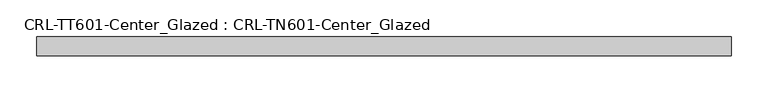
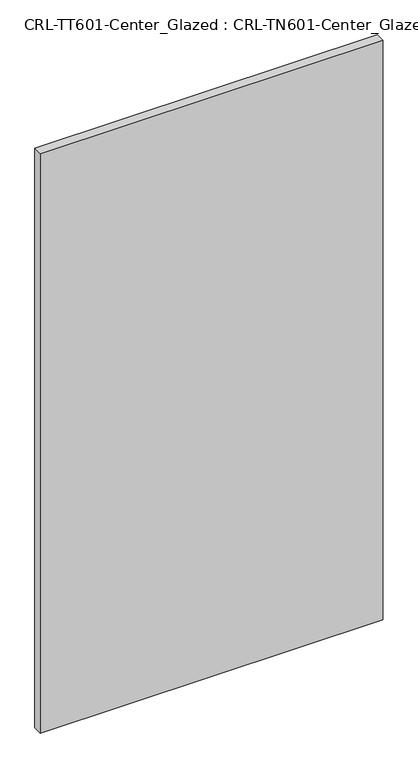
"""IFC4 building model written with IfcOpenShell, lengths in millimetres: plate geometry, CRL-TT601-Center_Glazed : CRL-TN601-Center_Glazed."""

from ifc_helpers import new_model, si_unit, origin, origin_with_axes, place, context, project, spatial, polyline, outline, extrude, source, transform, mapped, element, save


def crl_tt601_center_glazed_crl_tn601_center_glazed_74816d3d(model_context):
    return source(origin(), model_context, "Body", "SweptSolid", [
        extrude(outline(polyline([(-469.8999937, -12.7254), (-469.8999937, 12.6746), (469.8999937, 12.6746), (469.8999937, -12.7254), (-469.8999937, -12.7254)])), origin_with_axes(), (0.0, 0.0, 1.0), 1680.6127438),
    ])


if __name__ == "__main__":
    model = new_model("IFC4")
    model_context = context("Model", 3, world=origin())
    ifc_project = project(units=[si_unit("LENGTHUNIT", "METRE", prefix="MILLI")], contexts=[model_context])
    site = spatial("IfcSite", under=ifc_project)
    building = spatial("IfcBuilding", under=site)
    placement = place(None, origin())
    crl_tt601_center_glazed_crl_tn601_center_glazed_shape = crl_tt601_center_glazed_crl_tn601_center_glazed_74816d3d(model_context)
    element("IfcPlate", 1, ObjectType="CRL-TT601-Center_Glazed : CRL-TN601-Center_Glazed", at=placement, inside=building, context=model_context, shape_type="MappedRepresentation", body=[
        mapped(crl_tt601_center_glazed_crl_tn601_center_glazed_shape, transform((0.0, 0.0, 0.0), x_axis=(1.0, 0.0, 0.0), y_axis=(0.0, 1.0, 0.0), z_axis=(0.0, 0.0, 1.0))),
    ])
    save(model, "model.ifc")
